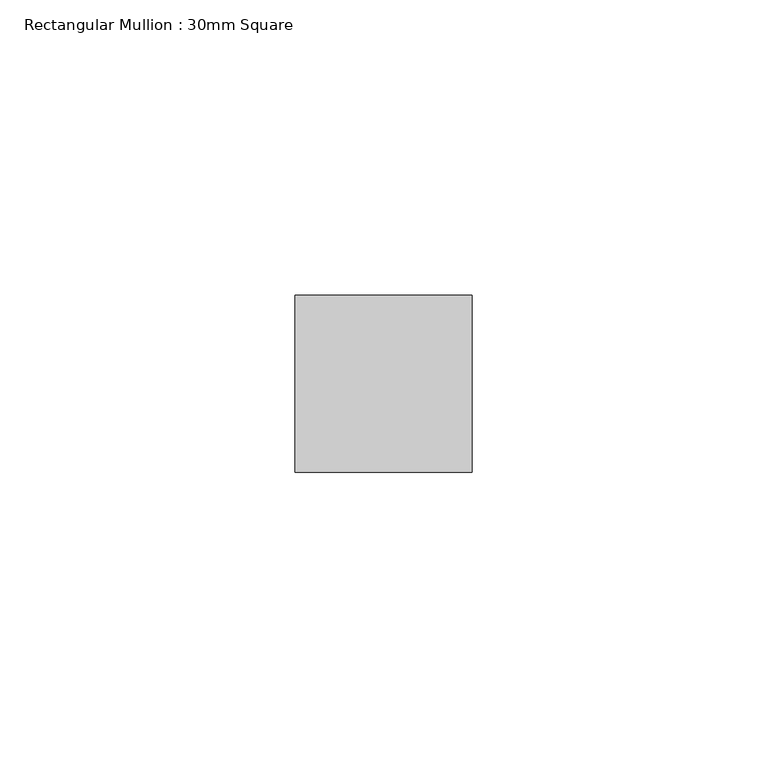
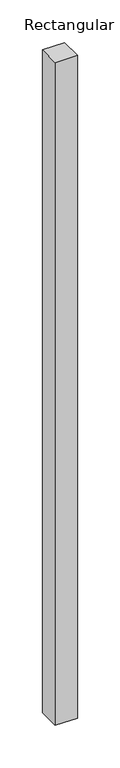
"""IFC4 building model written with IfcOpenShell, lengths in millimetres: member geometry, Rectangular Mullion : 30mm Square."""

from ifc_helpers import new_model, si_unit, frame, origin, place, context, project, spatial, polyline, outline, extrude, source, transform, mapped, element, save


def rectangular_mullion_30mm_square_03c3afda(model_context):
    return source(origin(), model_context, "Body", "SweptSolid", [
        extrude(outline(polyline([(15.0, 15.0), (15.0, -15.0), (-15.0, -15.0), (-15.0, 15.0), (15.0, 15.0)])), frame((0.0, 0.0, -949.5115613), z_axis=(0.0, 0.0, 1.0), x_axis=(1.0, 0.0, 0.0)), (0.0, 0.0, 1.0), 949.5115613),
    ])


if __name__ == "__main__":
    model = new_model("IFC4")
    model_context = context("Model", 3, world=origin())
    ifc_project = project(units=[si_unit("LENGTHUNIT", "METRE", prefix="MILLI")], contexts=[model_context])
    site = spatial("IfcSite", under=ifc_project)
    building = spatial("IfcBuilding", under=site)
    placement = place(None, origin())
    rectangular_mullion_30mm_square_shape = rectangular_mullion_30mm_square_03c3afda(model_context)
    element("IfcMember", 1, ObjectType="Rectangular Mullion : 30mm Square", at=placement, inside=building, context=model_context, shape_type="MappedRepresentation", body=[
        mapped(rectangular_mullion_30mm_square_shape, transform((0.0, 0.0, 0.0), x_axis=(1.0, 0.0, 0.0), y_axis=(0.0, 1.0, 0.0), z_axis=(0.0, 0.0, 1.0))),
    ])
    save(model, "model.ifc")
